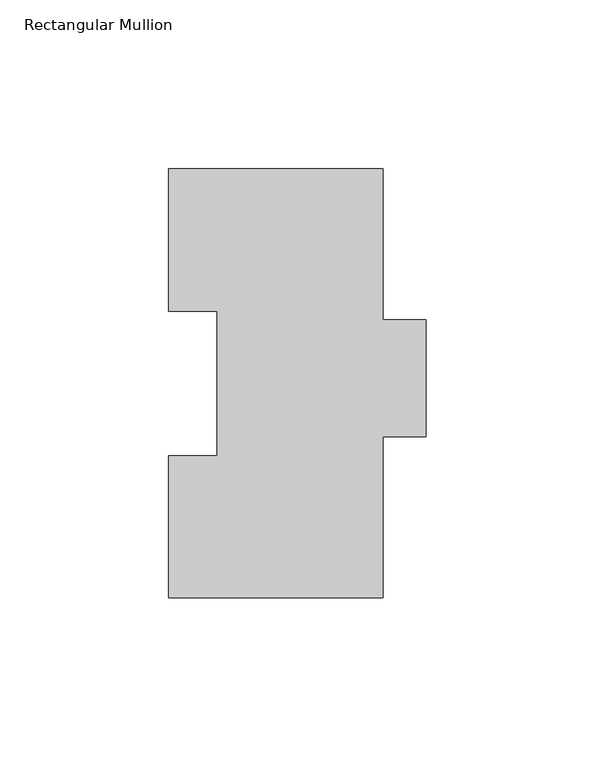
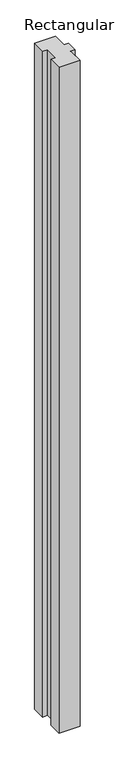
"""IFC4 building model written with IfcOpenShell, lengths in millimetres: member geometry, Rectangular Mullion."""

from ifc_helpers import new_model, si_unit, frame, origin, place, context, project, spatial, polyline, outline, extrude, source, transform, mapped, element, save


def rectangular_mullion_9386caab(model_context):
    return source(origin(), model_context, "Body", "SweptSolid", [
        extrude(outline(polyline([(31.75, 127.00635), (31.75, 82.30235), (44.45, 82.30235), (44.45, 47.63135), (31.75, 47.63135), (31.75, 0.00635), (-31.7497287, 0.00635), (-31.7497287, 42.08145), (-17.4622287, 42.08145), (-17.4622287, 84.93125), (-31.7502713, 84.93125), (-31.7502713, 127.00635), (31.75, 127.00635)])), frame((0.0, 0.0, -2133.6), z_axis=(0.0, 0.0, 1.0), x_axis=(1.0, 0.0, 0.0)), (0.0, 0.0, 1.0), 2133.6),
    ])


if __name__ == "__main__":
    model = new_model("IFC4")
    model_context = context("Model", 3, world=origin())
    ifc_project = project(units=[si_unit("LENGTHUNIT", "METRE", prefix="MILLI")], contexts=[model_context])
    site = spatial("IfcSite", under=ifc_project)
    building = spatial("IfcBuilding", under=site)
    placement = place(None, origin())
    rectangular_mullion_shape = rectangular_mullion_9386caab(model_context)
    element("IfcMember", 1, ObjectType="Rectangular Mullion", at=placement, inside=building, context=model_context, shape_type="MappedRepresentation", body=[
        mapped(rectangular_mullion_shape, transform((0.0, 0.0, 0.0), x_axis=(1.0, 0.0, 0.0), y_axis=(0.0, 1.0, 0.0), z_axis=(0.0, 0.0, 1.0))),
    ])
    save(model, "model.ifc")
